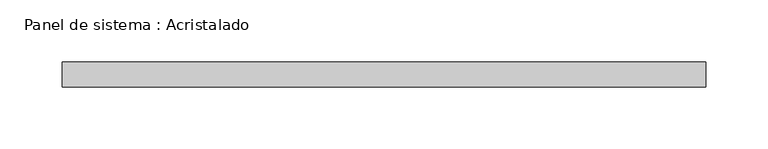
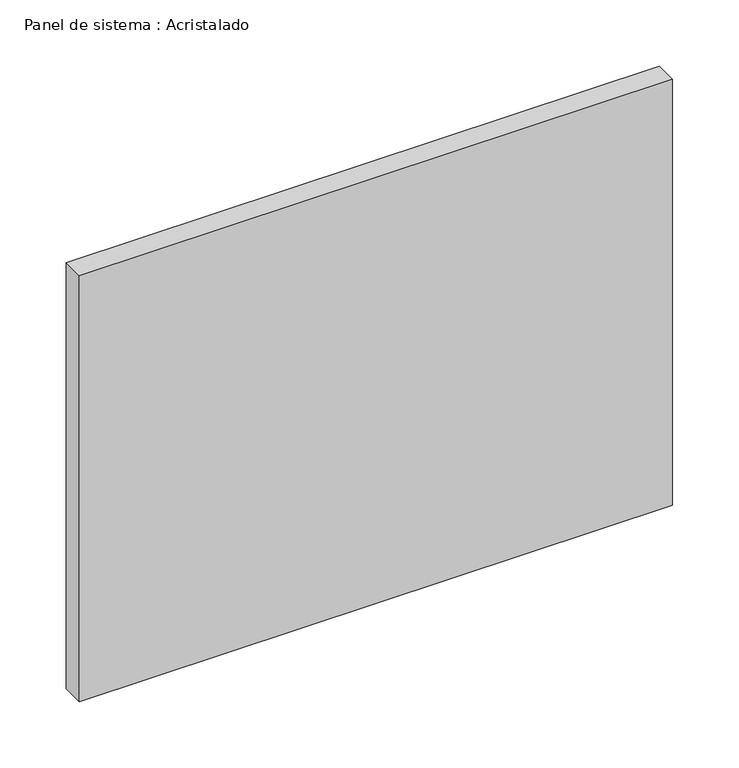
"""IFC4 building model written with IfcOpenShell, lengths in millimetres: plate geometry, Panel de sistema : Acristalado."""

from ifc_helpers import new_model, si_unit, origin, origin_with_axes, place, context, project, spatial, polyline, outline, extrude, source, transform, mapped, element, save


def panel_de_sistema_acristalado_624b8c58(model_context):
    return source(origin(), model_context, "Body", "SweptSolid", [
        extrude(outline(polyline([(258.8333333, -10.0), (-258.8333333, -10.0), (-258.8333333, 10.0), (258.8333333, 10.0), (258.8333333, -10.0)])), origin_with_axes(), (0.0, 0.0, 1.0), 392.7452144),
    ])


if __name__ == "__main__":
    model = new_model("IFC4")
    model_context = context("Model", 3, world=origin())
    ifc_project = project(units=[si_unit("LENGTHUNIT", "METRE", prefix="MILLI")], contexts=[model_context])
    site = spatial("IfcSite", under=ifc_project)
    building = spatial("IfcBuilding", under=site)
    placement = place(None, origin())
    panel_de_sistema_acristalado_shape = panel_de_sistema_acristalado_624b8c58(model_context)
    element("IfcPlate", 1, ObjectType="Panel de sistema : Acristalado", at=placement, inside=building, context=model_context, shape_type="MappedRepresentation", body=[
        mapped(panel_de_sistema_acristalado_shape, transform((0.0, 0.0, 0.0), x_axis=(1.0, 0.0, 0.0), y_axis=(0.0, 1.0, 0.0), z_axis=(0.0, 0.0, 1.0))),
    ])
    save(model, "model.ifc")
